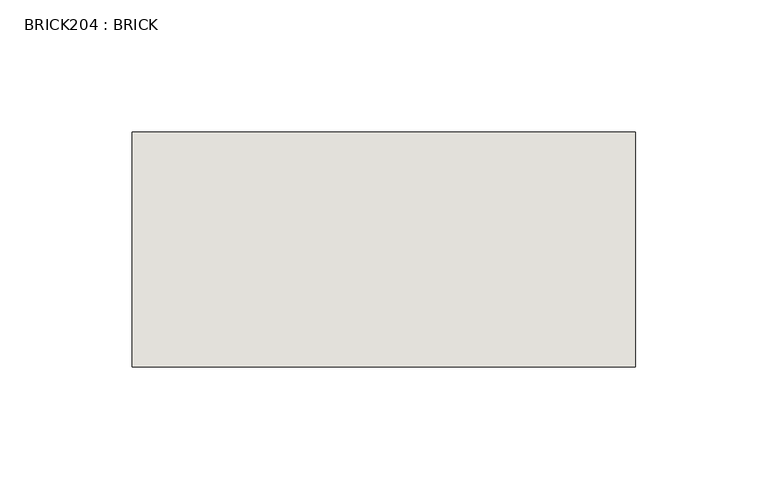
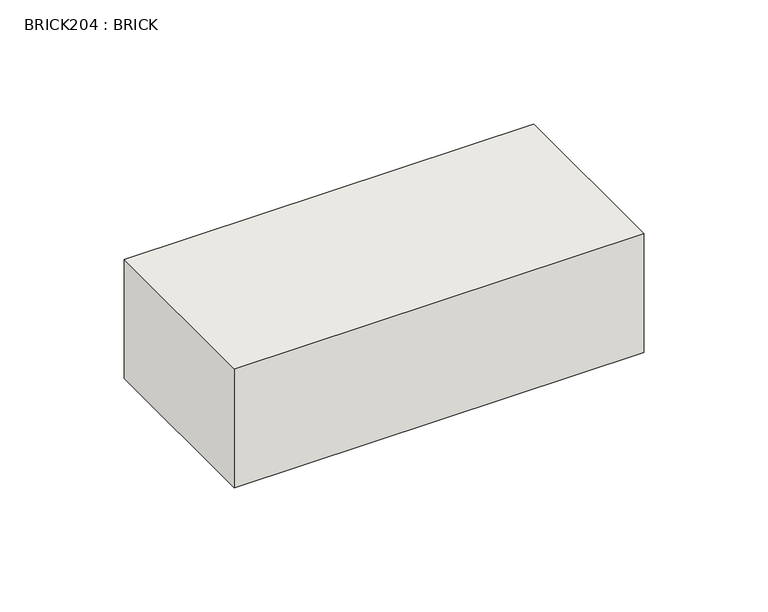
"""IFC4 building model written with IfcOpenShell, lengths in millimetres: wall geometry, BRICK204 : BRICK."""

from ifc_helpers import new_model, si_unit, frame, origin, place, context, project, spatial, polyline, outline, extrude, source, transform, mapped, element, save


def brick204_brick_ae558eb6(model_context):
    return source(origin(), model_context, "Body", "SweptSolid", [
        extrude(outline(polyline([(-871.4574357, 3062.3923312), (-680.9574357, 3062.3923312), (-680.9574357, 2973.4923312), (-871.4574357, 2973.4923312), (-871.4574357, 3062.3923312)])), frame((0.0, 0.0, 4.1671875), z_axis=(0.0, 0.0, 1.0), x_axis=(1.0, 0.0, 0.0)), (0.0, 0.0, 1.0), 58.4398437),
    ])


if __name__ == "__main__":
    model = new_model("IFC4")
    model_context = context("Model", 3, world=origin())
    ifc_project = project(units=[si_unit("LENGTHUNIT", "METRE", prefix="MILLI")], contexts=[model_context])
    site = spatial("IfcSite", under=ifc_project)
    building = spatial("IfcBuilding", under=site)
    placement = place(None, origin())
    brick204_brick_shape = brick204_brick_ae558eb6(model_context)
    element("IfcWall", 1, ObjectType="BRICK204 : BRICK", at=placement, inside=building, context=model_context, shape_type="MappedRepresentation", body=[
        mapped(brick204_brick_shape, transform((0.0, 0.0, 0.0), x_axis=(1.0, 0.0, 0.0), y_axis=(0.0, 1.0, 0.0), z_axis=(0.0, 0.0, 1.0))),
    ])
    save(model, "model.ifc")
